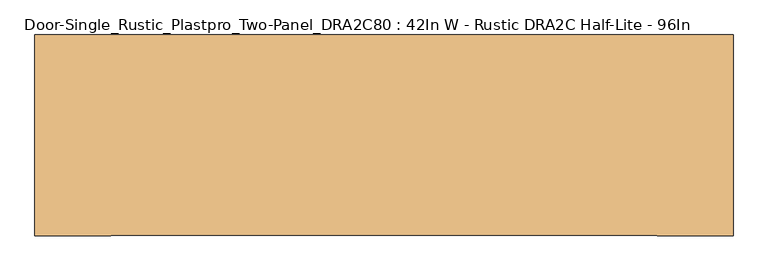
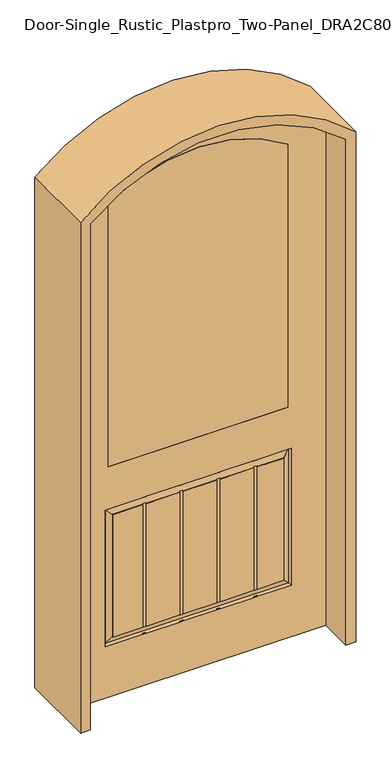
"""IFC4 building model written with IfcOpenShell, lengths in millimetres: door geometry, Door-Single_Rustic_Plastpro_Two-Panel_DRA2C80 : 42In W - Rustic DRA2C Half-Lite - 96In."""

from ifc_helpers import new_model, si_unit, point, frame, frame_2d, origin, place, context, project, spatial, polyline, circle_curve, trimmed, segment, composite_curve, outline, extrude, source, transform, mapped, element, save
from ifc_brep_helpers import plane_surface, cylinder_surface, revolved_surface, advanced_brep


def door_single_rustic_plastpro_two_panel_dra2c80_42in_w_rustic_5c745e77(model_context):
    return source(origin(), model_context, "Body", "SolidModel", [
        advanced_brep(
        [(533.4, 20.6375, 0.0), (-533.4, 20.6375, 0.0), (-533.4, 20.6375, 2234.5756301), (533.4, 20.6375, 2234.5756301), (-374.65, 20.6375, 2180.1077769), (-374.65, 20.6375, 1018.6937132), (374.65, 20.6375, 1018.6937132), (374.65, 20.6375, 2180.1077769), (231.920955, 20.6375, 228.6), (247.2006425, 20.6375, 228.6), (388.9375, 20.6375, 228.6), (388.9375, 20.6375, 831.85), (247.2006425, 20.6375, 831.85), (231.920955, 20.6375, 831.85), (92.5866725, 20.6375, 831.85), (77.306985, 20.6375, 831.85), (-62.0272975, 20.6375, 831.85), (-77.306985, 20.6375, 831.85), (-216.6412675, 20.6375, 831.85), (-231.920955, 20.6375, 831.85), (-388.9375, 20.6375, 831.85), (-388.9375, 20.6375, 228.6), (-231.920955, 20.6375, 228.6), (-216.6412675, 20.6375, 228.6), (-77.306985, 20.6375, 228.6), (-62.0272975, 20.6375, 228.6), (77.306985, 20.6375, 228.6), (92.5866725, 20.6375, 228.6), (231.920955, 20.6375, 800.64283), (231.920955, 20.6375, 259.80717), (92.5866725, 20.6375, 259.80717), (92.5866725, 20.6375, 800.64283), (247.2006425, 20.6375, 259.80717), (247.2006425, 20.6375, 800.64283), (357.73033, 20.6375, 800.64283), (357.73033, 20.6375, 259.80717), (-77.306985, 20.6375, 800.64283), (-77.306985, 20.6375, 259.80717), (-216.6412675, 20.6375, 259.80717), (-216.6412675, 20.6375, 800.64283), (-62.0272975, 20.6375, 259.80717), (-62.0272975, 20.6375, 800.64283), (77.306985, 20.6375, 800.64283), (77.306985, 20.6375, 259.80717), (-231.920955, 20.6375, 800.64283), (-231.920955, 20.6375, 259.80717), (-357.73033, 20.6375, 259.80717), (-357.73033, 20.6375, 800.64283), (533.4, -20.6375, 0.0), (-533.4, -20.6375, 0.0), (-533.4, -20.6375, 2234.5756301), (533.4, -20.6375, 2234.5756301), (388.9375, -20.6375, 228.6), (382.1703916, -11.6572439, 235.3671084), (-382.1703916, -11.6572439, 235.3671084), (-388.9375, -20.6375, 228.6), (-231.920955, -20.6375, 228.6), (-231.920955, -17.4625, 230.9925341), (-216.6412675, -17.4625, 230.9925341), (-216.6412675, -20.6375, 228.6), (-77.306985, -20.6375, 228.6), (-77.306985, -17.4625, 230.9925341), (-62.0272975, -17.4625, 230.9925341), (-62.0272975, -20.6375, 228.6), (77.306985, -20.6375, 228.6), (77.306985, -17.4625, 230.9925341), (92.5866725, -17.4625, 230.9925341), (92.5866725, -20.6375, 228.6), (231.920955, -20.6375, 228.6), (231.920955, -17.4625, 230.9925341), (247.2006425, -17.4625, 230.9925341), (247.2006425, -20.6375, 228.6), (92.5866725, -17.4625, 228.6), (77.306985, -17.4625, 228.6), (92.5866725, -20.6375, 831.85), (77.306985, -20.6375, 831.85), (77.306985, -17.4625, 831.85), (92.5866725, -17.4625, 831.85), (357.73033, -18.409586, 259.80717), (247.2006425, -18.409586, 259.80717), (247.2006425, -17.4625, 256.3791978), (231.920955, -17.4625, 256.3791978), (231.920955, -18.409586, 259.80717), (92.5866725, -18.409586, 259.80717), (92.5866725, -17.4625, 256.3791978), (77.306985, -17.4625, 256.3791978), (77.306985, -18.409586, 259.80717), (-62.0272975, -18.409586, 259.80717), (-62.0272975, -17.4625, 256.3791978), (-77.306985, -17.4625, 256.3791978), (-77.306985, -18.409586, 259.80717), (-216.6412675, -18.409586, 259.80717), (-216.6412675, -17.4625, 256.3791978), (-231.920955, -17.4625, 256.3791978), (-231.920955, -18.409586, 259.80717), (-357.73033, -18.409586, 259.80717), (382.1703916, -11.6572439, 825.0828916), (357.73033, -18.409586, 800.64283), (-382.1703916, -11.6572439, 825.0828916), (-357.73033, -18.409586, 800.64283), (-231.920955, -18.409586, 800.64283), (-231.920955, -17.4625, 804.0708022), (-216.6412675, -17.4625, 804.0708022), (-216.6412675, -18.409586, 800.64283), (-77.306985, -18.409586, 800.64283), (-77.306985, -17.4625, 804.0708022), (-62.0272975, -17.4625, 804.0708022), (-62.0272975, -18.409586, 800.64283), (77.306985, -18.409586, 800.64283), (77.306985, -17.4625, 804.0708022), (92.5866725, -17.4625, 804.0708022), (92.5866725, -18.409586, 800.64283), (231.920955, -18.409586, 800.64283), (231.920955, -17.4625, 804.0708022), (247.2006425, -17.4625, 804.0708022), (247.2006425, -18.409586, 800.64283), (92.5866725, -20.6375, 259.80717), (92.5866725, -20.6375, 800.64283), (92.5866725, -17.4625, 829.4574659), (77.306985, -20.6375, 800.64283), (77.306985, -20.6375, 259.80717), (77.306985, -17.4625, 829.4574659), (-216.6412675, 17.4625, 831.85), (-231.920955, 17.4625, 831.85), (-357.73033, 18.409586, 800.64283), (-231.920955, 18.409586, 800.64283), (-62.0272975, 18.409586, 800.64283), (77.306985, 18.409586, 800.64283), (92.5866725, 18.409586, 800.64283), (231.920955, 18.409586, 800.64283), (-216.6412675, 18.409586, 800.64283), (-77.306985, 18.409586, 800.64283), (357.73033, 18.409586, 800.64283), (247.2006425, 18.409586, 800.64283), (-357.73033, 18.409586, 259.80717), (-216.6412675, -20.6375, 259.80717), (-216.6412675, -20.6375, 800.64283), (-216.6412675, -20.6375, 831.85), (-216.6412675, -17.4625, 831.85), (-216.6412675, -17.4625, 829.4574659), (-216.6412675, -17.4625, 228.6), (-231.920955, -20.6375, 800.64283), (-231.920955, -20.6375, 259.80717), (-231.920955, -17.4625, 228.6), (-231.920955, -17.4625, 831.85), (-231.920955, -20.6375, 831.85), (-231.920955, -17.4625, 829.4574659), (382.1703916, 11.6572439, 825.0828916), (247.2006425, 17.4625, 804.0708022), (231.920955, 17.4625, 804.0708022), (92.5866725, 17.4625, 804.0708022), (77.306985, 17.4625, 804.0708022), (-62.0272975, 17.4625, 804.0708022), (-77.306985, 17.4625, 804.0708022), (-216.6412675, 17.4625, 804.0708022), (-231.920955, 17.4625, 804.0708022), (-382.1703916, 11.6572439, 825.0828916), (357.73033, 18.409586, 259.80717), (382.1703916, 11.6572439, 235.3671084), (-382.1703916, 11.6572439, 235.3671084), (-231.920955, 18.409586, 259.80717), (-231.920955, 17.4625, 256.3791978), (-216.6412675, 17.4625, 256.3791978), (-216.6412675, 18.409586, 259.80717), (-77.306985, 18.409586, 259.80717), (-77.306985, 17.4625, 256.3791978), (-62.0272975, 17.4625, 256.3791978), (-62.0272975, 18.409586, 259.80717), (77.306985, 18.409586, 259.80717), (77.306985, 17.4625, 256.3791978), (92.5866725, 17.4625, 256.3791978), (92.5866725, 18.409586, 259.80717), (231.920955, 18.409586, 259.80717), (231.920955, 17.4625, 256.3791978), (247.2006425, 17.4625, 256.3791978), (247.2006425, 18.409586, 259.80717), (231.920955, 17.4625, 228.6), (247.2006425, 17.4625, 228.6), (247.2006425, 17.4625, 831.85), (231.920955, 17.4625, 831.85), (92.5866725, 17.4625, 831.85), (77.306985, 17.4625, 831.85), (-62.0272975, 17.4625, 831.85), (-77.306985, 17.4625, 831.85), (-77.306985, 17.4625, 228.6), (-62.0272975, 17.4625, 228.6), (77.306985, 17.4625, 228.6), (92.5866725, 17.4625, 228.6), (231.920955, 17.4625, 230.9925341), (231.920955, 17.4625, 829.4574659), (92.5866725, 17.4625, 230.9925341), (92.5866725, 17.4625, 829.4574659), (247.2006425, 17.4625, 230.9925341), (247.2006425, 17.4625, 829.4574659), (-77.306985, 17.4625, 829.4574659), (-77.306985, 17.4625, 230.9925341), (-62.0272975, 17.4625, 230.9925341), (-62.0272975, 17.4625, 829.4574659), (77.306985, 17.4625, 829.4574659), (77.306985, 17.4625, 230.9925341), (-374.65, -20.6375, 2180.1077769), (-374.65, -20.6375, 1018.6937132), (374.65, -20.6375, 1018.6937132), (374.65, -20.6375, 2180.1077769), (247.2006425, -20.6375, 800.64283), (247.2006425, -20.6375, 259.80717), (357.73033, -20.6375, 259.80717), (357.73033, -20.6375, 800.64283), (-62.0272975, -20.6375, 800.64283), (-62.0272975, -20.6375, 259.80717), (-77.306985, -20.6375, 259.80717), (-77.306985, -20.6375, 800.64283), (-357.73033, -20.6375, 800.64283), (-357.73033, -20.6375, 259.80717), (-388.9375, -20.6375, 831.85), (-77.306985, -20.6375, 831.85), (-62.0272975, -20.6375, 831.85), (231.920955, -20.6375, 831.85), (247.2006425, -20.6375, 831.85), (388.9375, -20.6375, 831.85), (231.920955, -20.6375, 259.80717), (231.920955, -20.6375, 800.64283), (247.2006425, -17.4625, 228.6), (231.920955, -17.4625, 228.6), (-62.0272975, -17.4625, 228.6), (-77.306985, -17.4625, 228.6), (247.2006425, -17.4625, 829.4574659), (231.920955, -17.4625, 829.4574659), (-62.0272975, -17.4625, 829.4574659), (-77.306985, -17.4625, 829.4574659), (-77.306985, -17.4625, 831.85), (-62.0272975, -17.4625, 831.85), (231.920955, -17.4625, 831.85), (247.2006425, -17.4625, 831.85), (-216.6412675, 17.4625, 230.9925341), (-231.920955, 17.4625, 230.9925341), (-231.920955, 17.4625, 829.4574659), (-216.6412675, 17.4625, 829.4574659), (-231.920955, 17.4625, 228.6), (-216.6412675, 17.4625, 228.6)],
        [
            (0, 1),
            (1, 2),
            (2, 3, circle_curve(frame((0.0, 20.6375, 1638.5448748), z_axis=(0.0, 1.0, 0.0), x_axis=(1.0, 0.0, 0.0)), 799.8551252)),
            (3, 0),
            (4, 5),
            (5, 6),
            (6, 7),
            (7, 4, circle_curve(frame((0.0, 20.6375, 1649.9353502), z_axis=(0.0, -1.0, 0.0), x_axis=(-1.0, 0.0, 0.0)), 649.1882813)),
            (8, 9),
            (9, 10),
            (10, 11),
            (11, 12),
            (12, 13),
            (13, 14),
            (14, 15),
            (15, 16),
            (16, 17),
            (17, 18),
            (18, 19),
            (19, 20),
            (20, 21),
            (21, 22),
            (22, 23),
            (23, 24),
            (24, 25),
            (25, 26),
            (26, 27),
            (27, 8),
            (28, 29),
            (29, 30),
            (30, 31),
            (31, 28),
            (32, 33),
            (33, 34),
            (34, 35),
            (35, 32),
            (36, 37),
            (37, 38),
            (38, 39),
            (39, 36),
            (40, 41),
            (41, 42),
            (42, 43),
            (43, 40),
            (44, 45),
            (45, 46),
            (46, 47),
            (47, 44),
            (0, 48),
            (48, 49),
            (49, 1),
            (49, 50),
            (50, 2),
            (3, 51),
            (51, 48),
            (52, 53),
            (53, 54),
            (54, 55),
            (55, 56),
            (56, 57),
            (57, 58),
            (58, 59),
            (59, 60),
            (60, 61),
            (61, 62),
            (62, 63),
            (63, 64),
            (64, 65),
            (65, 66),
            (66, 67),
            (67, 68),
            (68, 69),
            (69, 70),
            (70, 71),
            (71, 52),
            (64, 67),
            (67, 72),
            (72, 73),
            (73, 64),
            (74, 75),
            (75, 76),
            (76, 77),
            (77, 74),
            (53, 78),
            (78, 79),
            (79, 80),
            (80, 81),
            (81, 82),
            (82, 83),
            (83, 84),
            (84, 85),
            (85, 86),
            (86, 87),
            (87, 88),
            (88, 89),
            (89, 90),
            (90, 91),
            (91, 92),
            (92, 93),
            (93, 94),
            (94, 95),
            (95, 54),
            (53, 96),
            (96, 97),
            (97, 78),
            (96, 98),
            (98, 99),
            (99, 100),
            (100, 101),
            (101, 102),
            (102, 103),
            (103, 104),
            (104, 105),
            (105, 106),
            (106, 107),
            (107, 108),
            (108, 109),
            (109, 110),
            (110, 111),
            (111, 112),
            (112, 113),
            (113, 114),
            (114, 115),
            (115, 97),
            (116, 117),
            (117, 111),
            (110, 84),
            (83, 116),
            (77, 118),
            (118, 74),
            (66, 72),
            (119, 120),
            (120, 86),
            (85, 109),
            (108, 119),
            (73, 65),
            (75, 121),
            (121, 76),
            (95, 99),
            (98, 54),
            (50, 51, circle_curve(frame((0.0, -20.6375, 1638.5448748), z_axis=(0.0, 1.0, 0.0), x_axis=(1.0, 0.0, 0.0)), 799.8551252)),
            (18, 122),
            (122, 123),
            (123, 19),
            (47, 124),
            (124, 125),
            (125, 44),
            (126, 127),
            (127, 42),
            (41, 126),
            (128, 129),
            (129, 28),
            (31, 128),
            (130, 131),
            (131, 36),
            (39, 130),
            (132, 34),
            (33, 133),
            (133, 132),
            (46, 134),
            (134, 124),
            (135, 136),
            (136, 103),
            (102, 92),
            (91, 135),
            (137, 138),
            (138, 139),
            (139, 137),
            (140, 59),
            (58, 140),
            (141, 142),
            (142, 94),
            (93, 101),
            (100, 141),
            (56, 143),
            (143, 57),
            (144, 145),
            (145, 146),
            (146, 144),
            (143, 140),
            (138, 144),
            (146, 139),
            (147, 132),
            (133, 148),
            (148, 149),
            (149, 129),
            (128, 150),
            (150, 151),
            (151, 127),
            (126, 152),
            (152, 153),
            (153, 131),
            (130, 154),
            (154, 155),
            (155, 125),
            (124, 156),
            (156, 147),
            (157, 158),
            (158, 159),
            (159, 134),
            (134, 160),
            (160, 161),
            (161, 162),
            (162, 163),
            (163, 164),
            (164, 165),
            (165, 166),
            (166, 167),
            (167, 168),
            (168, 169),
            (169, 170),
            (170, 171),
            (171, 172),
            (172, 173),
            (173, 174),
            (174, 175),
            (175, 157),
            (157, 132),
            (147, 158),
            (8, 176),
            (176, 177),
            (177, 9),
            (12, 178),
            (178, 179),
            (179, 13),
            (14, 180),
            (180, 181),
            (181, 15),
            (16, 182),
            (182, 183),
            (183, 17),
            (24, 184),
            (184, 185),
            (185, 25),
            (26, 186),
            (186, 187),
            (187, 27),
            (8, 188),
            (188, 176),
            (149, 173),
            (172, 29),
            (179, 189),
            (189, 13),
            (187, 190),
            (190, 27),
            (14, 191),
            (191, 180),
            (30, 171),
            (170, 150),
            (177, 192),
            (192, 9),
            (12, 193),
            (193, 178),
            (32, 175),
            (174, 148),
            (183, 194),
            (194, 17),
            (24, 195),
            (195, 184),
            (153, 165),
            (164, 37),
            (185, 196),
            (196, 25),
            (16, 197),
            (197, 182),
            (40, 167),
            (166, 152),
            (181, 198),
            (198, 15),
            (26, 199),
            (199, 186),
            (151, 169),
            (168, 43),
            (4, 200),
            (200, 201),
            (201, 5),
            (201, 202),
            (202, 6),
            (203, 7),
            (202, 203),
            (204, 205),
            (205, 206),
            (206, 207),
            (207, 204),
            (208, 209),
            (209, 120),
            (119, 208),
            (210, 211),
            (211, 136),
            (135, 210),
            (141, 212),
            (212, 213),
            (213, 142),
            (200, 203, circle_curve(frame((0.0, -20.6375, 1649.9353502), z_axis=(0.0, 1.0, 0.0), x_axis=(-1.0, 0.0, 0.0)), 649.1882813)),
            (71, 68),
            (63, 60),
            (59, 56),
            (55, 214),
            (214, 145),
            (145, 137),
            (137, 215),
            (215, 216),
            (216, 75),
            (74, 217),
            (217, 218),
            (218, 219),
            (219, 52),
            (220, 221),
            (221, 117),
            (116, 220),
            (71, 222),
            (222, 223),
            (223, 68),
            (63, 224),
            (224, 225),
            (225, 60),
            (98, 214),
            (96, 219),
            (218, 226),
            (226, 227),
            (227, 217),
            (118, 121),
            (216, 228),
            (228, 229),
            (229, 215),
            (215, 230),
            (230, 231),
            (231, 216),
            (217, 232),
            (232, 233),
            (233, 218),
            (204, 115),
            (114, 80),
            (79, 205),
            (233, 226),
            (70, 222),
            (223, 69),
            (220, 82),
            (81, 113),
            (112, 221),
            (227, 232),
            (208, 107),
            (106, 88),
            (87, 209),
            (231, 228),
            (62, 224),
            (210, 90),
            (89, 105),
            (104, 211),
            (225, 61),
            (229, 230),
            (197, 194),
            (195, 196),
            (191, 198),
            (199, 190),
            (188, 192),
            (193, 189),
            (158, 10),
            (23, 234),
            (234, 235),
            (235, 22),
            (21, 159),
            (147, 11),
            (156, 20),
            (19, 236),
            (236, 237),
            (237, 18),
            (156, 159),
            (22, 238),
            (238, 239),
            (239, 23),
            (35, 157),
            (163, 38),
            (45, 160),
            (162, 154),
            (239, 234),
            (237, 122),
            (123, 236),
            (235, 238),
            (155, 161),
            (78, 206),
            (213, 95),
            (97, 207),
            (99, 212),
        ],
        [
            plane_surface(frame((0.0, 20.6375, 0.0), z_axis=(0.0, 1.0, 0.0), x_axis=(0.0, 0.0, 1.0))),
            plane_surface(frame((533.4, 20.6375, 0.0), z_axis=(0.0, 0.0, -1.0), x_axis=(0.0, -1.0, 0.0))),
            plane_surface(frame((-533.4, 20.6375, 0.0), z_axis=(-1.0, 0.0, 0.0), x_axis=(0.0, -1.0, 0.0))),
            plane_surface(frame((533.4, 20.6375, 2234.5756301), z_axis=(1.0, 0.0, 0.0), x_axis=(0.0, -1.0, 0.0))),
            plane_surface(frame((-382.1703916, -11.6572439, 235.3671084), z_axis=(0.0, -0.6018150231520504, 0.7986355100472914), x_axis=(1.0, 0.0, 0.0))),
            plane_surface(frame((77.306985, -20.6375, 228.6), z_axis=(0.0, 0.0, 1.0), x_axis=(0.0, 1.0, 0.0))),
            plane_surface(frame((92.5866725, -20.6375, 831.85), z_axis=(0.0, 0.0, -1.0), x_axis=(0.0, 1.0, 0.0))),
            plane_surface(frame((-357.73033, -18.409586, 259.80717), z_axis=(0.0, -0.9638888516060532, -0.26630486617702653), x_axis=(1.0, 0.0, 0.0))),
            plane_surface(frame((357.73033, -18.409586, 259.80717), z_axis=(0.26630486617702653, -0.9638888516060532, 0.0), x_axis=(0.0, 0.0, 1.0))),
            plane_surface(frame((357.73033, -18.409586, 800.64283), z_axis=(0.0, -0.9638888516060532, 0.26630486617702653), x_axis=(-1.0, 0.0, 0.0))),
            plane_surface(frame((92.5866725, -20.6375, 228.6), z_axis=(-1.0, 0.0, 0.0), x_axis=(0.0, 1.0, 0.0))),
            plane_surface(frame((77.306985, -20.6375, 831.85), z_axis=(1.0, 0.0, 0.0), x_axis=(0.0, 1.0, 0.0))),
            plane_surface(frame((-357.73033, -18.409586, 800.64283), z_axis=(-0.26630486617702653, -0.9638888516060532, 0.0), x_axis=(0.0, 0.0, -1.0))),
            cylinder_surface(frame((0.0, 20.6375, 1638.5448748), z_axis=(0.0, 1.0, 0.0), x_axis=(1.0, 0.0, 0.0)), 799.8551252),
            plane_surface(frame((-231.920955, 20.6375, 831.85), z_axis=(0.0, 0.0, -1.0), x_axis=(0.0, -1.0, 0.0))),
            plane_surface(frame((357.73033, 18.409586, 800.64283), z_axis=(0.0, 0.0, 1.0), x_axis=(-1.0, 0.0, 0.0))),
            plane_surface(frame((-357.73033, 18.409586, 800.64283), z_axis=(-1.0, 0.0, 0.0), x_axis=(0.0, 0.0, -1.0))),
            plane_surface(frame((-216.6412675, -20.6375, 228.6), z_axis=(-1.0, 0.0, 0.0), x_axis=(0.0, 1.0, 0.0))),
            plane_surface(frame((-231.920955, -20.6375, 831.85), z_axis=(1.0, 0.0, 0.0), x_axis=(0.0, 1.0, 0.0))),
            plane_surface(frame((-216.6412675, -17.4625, 831.85), z_axis=(0.0, -1.0, 0.0), x_axis=(0.0, 0.0, -1.0))),
            plane_surface(frame((382.1703916, 11.6572439, 825.0828916), z_axis=(0.0, 0.9638888516060532, 0.26630486617702653), x_axis=(-1.0, 0.0, 0.0))),
            plane_surface(frame((-382.1703916, 11.6572439, 235.3671084), z_axis=(0.0, 0.9638888516060532, -0.26630486617702653), x_axis=(1.0, 0.0, 0.0))),
            plane_surface(frame((382.1703916, 11.6572439, 235.3671084), z_axis=(0.26630486617702653, 0.9638888516060532, 0.0), x_axis=(0.0, 0.0, 1.0))),
            plane_surface(frame((247.2006425, 20.6375, 228.6), z_axis=(0.0, 0.0, 1.0), x_axis=(0.0, -1.0, 0.0))),
            plane_surface(frame((231.920955, 20.6375, 831.85), z_axis=(0.0, 0.0, -1.0), x_axis=(0.0, -1.0, 0.0))),
            plane_surface(frame((77.306985, 20.6375, 831.85), z_axis=(0.0, 0.0, -1.0), x_axis=(0.0, -1.0, 0.0))),
            plane_surface(frame((-77.306985, 20.6375, 831.85), z_axis=(0.0, 0.0, -1.0), x_axis=(0.0, -1.0, 0.0))),
            plane_surface(frame((-62.0272975, 20.6375, 228.6), z_axis=(0.0, 0.0, 1.0), x_axis=(0.0, -1.0, 0.0))),
            plane_surface(frame((92.5866725, 20.6375, 228.6), z_axis=(0.0, 0.0, 1.0), x_axis=(0.0, -1.0, 0.0))),
            plane_surface(frame((231.920955, 20.6375, 228.6), z_axis=(1.0, 0.0, 0.0), x_axis=(0.0, -1.0, 0.0))),
            plane_surface(frame((92.5866725, 20.6375, 831.85), z_axis=(-1.0, 0.0, 0.0), x_axis=(0.0, -1.0, 0.0))),
            plane_surface(frame((247.2006425, 20.6375, 831.85), z_axis=(-1.0, 0.0, 0.0), x_axis=(0.0, -1.0, 0.0))),
            plane_surface(frame((-77.306985, 20.6375, 228.6), z_axis=(1.0, 0.0, 0.0), x_axis=(0.0, -1.0, 0.0))),
            plane_surface(frame((-62.0272975, 20.6375, 831.85), z_axis=(-1.0, 0.0, 0.0), x_axis=(0.0, -1.0, 0.0))),
            plane_surface(frame((77.306985, 20.6375, 228.6), z_axis=(1.0, 0.0, 0.0), x_axis=(0.0, -1.0, 0.0))),
            plane_surface(frame((-374.65, 20.6375, 1018.6937132), z_axis=(1.0, 0.0, 0.0), x_axis=(0.0, -1.0, 0.0))),
            plane_surface(frame((374.65, 20.6375, 1018.6937132), z_axis=(0.0, 0.0, 1.0), x_axis=(0.0, -1.0, 0.0))),
            plane_surface(frame((374.65, 20.6375, 2180.1077769), z_axis=(-1.0, 0.0, 0.0), x_axis=(0.0, -1.0, 0.0))),
            plane_surface(frame((0.0, -20.6375, 0.0), z_axis=(0.0, -1.0, 0.0), x_axis=(0.0, 0.0, 1.0))),
            plane_surface(frame((231.920955, -20.6375, 228.6), z_axis=(0.0, 0.0, 1.0), x_axis=(0.0, 1.0, 0.0))),
            plane_surface(frame((-77.306985, -20.6375, 228.6), z_axis=(0.0, 0.0, 1.0), x_axis=(0.0, 1.0, 0.0))),
            plane_surface(frame((-382.1703916, -11.6572439, 825.0828916), z_axis=(0.7986355100472914, -0.6018150231520504, 0.0), x_axis=(0.0, 0.0, -1.0))),
            plane_surface(frame((382.1703916, -11.6572439, 825.0828916), z_axis=(0.0, -0.6018150231520504, -0.7986355100472914), x_axis=(-1.0, 0.0, 0.0))),
            plane_surface(frame((-62.0272975, -20.6375, 831.85), z_axis=(0.0, 0.0, -1.0), x_axis=(0.0, 1.0, 0.0))),
            plane_surface(frame((247.2006425, -20.6375, 831.85), z_axis=(0.0, 0.0, -1.0), x_axis=(0.0, 1.0, 0.0))),
            plane_surface(frame((382.1703916, -11.6572439, 235.3671084), z_axis=(-0.7986355100472914, -0.6018150231520504, 0.0), x_axis=(0.0, 0.0, 1.0))),
            plane_surface(frame((247.2006425, -20.6375, 228.6), z_axis=(-1.0, 0.0, 0.0), x_axis=(0.0, 1.0, 0.0))),
            plane_surface(frame((231.920955, -20.6375, 831.85), z_axis=(1.0, 0.0, 0.0), x_axis=(0.0, 1.0, 0.0))),
            plane_surface(frame((-62.0272975, -20.6375, 228.6), z_axis=(-1.0, 0.0, 0.0), x_axis=(0.0, 1.0, 0.0))),
            plane_surface(frame((-77.306985, -20.6375, 831.85), z_axis=(1.0, 0.0, 0.0), x_axis=(0.0, 1.0, 0.0))),
            plane_surface(frame((-62.0272975, -17.4625, 831.85), z_axis=(0.0, -1.0, 0.0), x_axis=(0.0, 0.0, -1.0))),
            plane_surface(frame((92.5866725, -17.4625, 831.85), z_axis=(0.0, -1.0, 0.0), x_axis=(0.0, 0.0, -1.0))),
            plane_surface(frame((247.2006425, -17.4625, 831.85), z_axis=(0.0, -1.0, 0.0), x_axis=(0.0, 0.0, -1.0))),
            plane_surface(frame((-77.306985, 17.4625, 831.85), z_axis=(0.0, 1.0, 0.0), x_axis=(0.0, 0.0, -1.0))),
            plane_surface(frame((77.306985, 17.4625, 831.85), z_axis=(0.0, 1.0, 0.0), x_axis=(0.0, 0.0, -1.0))),
            plane_surface(frame((231.920955, 17.4625, 831.85), z_axis=(0.0, 1.0, 0.0), x_axis=(0.0, 0.0, -1.0))),
            revolved_surface(polyline([(-649.1882813, 20.6375, 1649.9353502), (-649.1882813, -20.6375, 1649.9353502)]), (0.0, -20.6375, 1649.9353502), (0.0, 1.0, 0.0)),
            plane_surface(frame((-388.9375, 20.6375, 228.6), z_axis=(0.0, 0.6018150231520504, 0.7986355100472914), x_axis=(1.0, 0.0, 0.0))),
            plane_surface(frame((388.9375, 20.6375, 228.6), z_axis=(-0.7986355100472914, 0.6018150231520504, 0.0), x_axis=(0.0, 0.0, 1.0))),
            plane_surface(frame((388.9375, 20.6375, 831.85), z_axis=(0.0, 0.6018150231520504, -0.7986355100472914), x_axis=(-1.0, 0.0, 0.0))),
            plane_surface(frame((-388.9375, 20.6375, 831.85), z_axis=(0.7986355100472914, 0.6018150231520504, 0.0), x_axis=(0.0, 0.0, -1.0))),
            plane_surface(frame((-216.6412675, 20.6375, 228.6), z_axis=(0.0, 0.0, 1.0), x_axis=(0.0, -1.0, 0.0))),
            plane_surface(frame((-357.73033, 18.409586, 259.80717), z_axis=(0.0, 0.0, -1.0), x_axis=(1.0, 0.0, 0.0))),
            plane_surface(frame((357.73033, 18.409586, 259.80717), z_axis=(1.0, 0.0, 0.0), x_axis=(0.0, 0.0, 1.0))),
            plane_surface(frame((-216.6412675, 20.6375, 831.85), z_axis=(-1.0, 0.0, 0.0), x_axis=(0.0, -1.0, 0.0))),
            plane_surface(frame((-231.920955, 20.6375, 228.6), z_axis=(1.0, 0.0, 0.0), x_axis=(0.0, -1.0, 0.0))),
            plane_surface(frame((-231.920955, -20.6375, 228.6), z_axis=(0.0, 0.0, 1.0), x_axis=(0.0, 1.0, 0.0))),
            plane_surface(frame((-216.6412675, -20.6375, 831.85), z_axis=(0.0, 0.0, -1.0), x_axis=(0.0, 1.0, 0.0))),
            plane_surface(frame((-357.73033, -20.6375, 259.80717), z_axis=(0.0, 0.0, -1.0), x_axis=(1.0, 0.0, 0.0))),
            plane_surface(frame((357.73033, -20.6375, 259.80717), z_axis=(1.0, 0.0, 0.0), x_axis=(0.0, 0.0, 1.0))),
            plane_surface(frame((357.73033, -20.6375, 800.64283), z_axis=(0.0, 0.0, 1.0), x_axis=(-1.0, 0.0, 0.0))),
            plane_surface(frame((-357.73033, -20.6375, 800.64283), z_axis=(-1.0, 0.0, 0.0), x_axis=(0.0, 0.0, -1.0))),
            plane_surface(frame((-382.1703916, 11.6572439, 825.0828916), z_axis=(-0.26630486617702653, 0.9638888516060532, 0.0), x_axis=(0.0, 0.0, -1.0))),
            plane_surface(frame((-231.920955, 17.4625, 831.85), z_axis=(0.0, 1.0, 0.0), x_axis=(0.0, 0.0, -1.0))),
        ],
        [
            (0, [[1, 2, 3, 4], [5, 6, 7, 8], [9, 10, 11, 12, 13, 14, 15, 16, 17, 18, 19, 20, 21, 22, 23, 24, 25, 26, 27, 28]]),
            (0, [[29, 30, 31, 32]]),
            (0, [[33, 34, 35, 36]]),
            (0, [[37, 38, 39, 40]]),
            (0, [[41, 42, 43, 44]]),
            (0, [[45, 46, 47, 48]]),
            (1, [[-1, 49, 50, 51]]),
            (2, [[-2, -51, 52, 53]]),
            (3, [[-4, 54, 55, -49]]),
            (4, [[56, 57, 58, 59, 60, 61, 62, 63, 64, 65, 66, 67, 68, 69, 70, 71, 72, 73, 74, 75]]),
            (5, [[76, 77, 78, 79]]),
            (6, [[80, 81, 82, 83]]),
            (7, [[-57, 84, 85, 86, 87, 88, 89, 90, 91, 92, 93, 94, 95, 96, 97, 98, 99, 100, 101, 102]]),
            (8, [[-84, 103, 104, 105]]),
            (9, [[-104, 106, 107, 108, 109, 110, 111, 112, 113, 114, 115, 116, 117, 118, 119, 120, 121, 122, 123, 124]]),
            (10, [[125, 126, -119, 127, -90, 128]]),
            (10, [[-83, 129, 130]]),
            (10, [[-77, -70, 131]]),
            (11, [[132, 133, -92, 134, -117, 135]]),
            (11, [[-79, 136, -68]]),
            (11, [[-81, 137, 138]]),
            (12, [[-102, 139, -107, 140]]),
            (13, [[-3, -53, 141, -54]]),
            (14, [[-19, 142, 143, 144]]),
            (15, [[145, 146, 147, -48]]),
            (15, [[148, 149, -42, 150]]),
            (15, [[151, 152, -32, 153]]),
            (15, [[154, 155, -40, 156]]),
            (15, [[157, -34, 158, 159]]),
            (16, [[160, 161, -145, -47]]),
            (17, [[162, 163, -111, 164, -98, 165]]),
            (17, [[166, 167, 168]]),
            (17, [[169, -62, 170]]),
            (18, [[171, 172, -100, 173, -109, 174]]),
            (18, [[175, 176, -60]]),
            (18, [[177, 178, 179]]),
            (19, [[180, -170, -61, -176]]),
            (19, [[-164, -110, -173, -99]]),
            (19, [[181, -179, 182, -167]]),
            (20, [[183, -159, 184, 185, 186, -151, 187, 188, 189, -148, 190, 191, 192, -154, 193, 194, 195, -146, 196, 197]]),
            (21, [[198, 199, 200, 201, 202, 203, 204, 205, 206, 207, 208, 209, 210, 211, 212, 213, 214, 215, 216, 217]]),
            (22, [[-198, 218, -183, 219]]),
            (23, [[-9, 220, 221, 222]]),
            (24, [[-13, 223, 224, 225]]),
            (25, [[-15, 226, 227, 228]]),
            (26, [[-17, 229, 230, 231]]),
            (27, [[-25, 232, 233, 234]]),
            (28, [[-27, 235, 236, 237]]),
            (29, [[-220, 238, 239]]),
            (29, [[-29, -152, -186, 240, -214, 241]]),
            (29, [[-225, 242, 243]]),
            (30, [[-237, 244, 245]]),
            (30, [[-226, 246, 247]]),
            (30, [[-31, 248, -212, 249, -187, -153]]),
            (31, [[-222, 250, 251]]),
            (31, [[-223, 252, 253]]),
            (31, [[-33, 254, -216, 255, -184, -158]]),
            (32, [[-231, 256, 257]]),
            (32, [[-232, 258, 259]]),
            (32, [[-37, -155, -192, 260, -206, 261]]),
            (33, [[-234, 262, 263]]),
            (33, [[-229, 264, 265]]),
            (33, [[-41, 266, -208, 267, -190, -150]]),
            (34, [[-228, 268, 269]]),
            (34, [[-235, 270, 271]]),
            (34, [[-43, -149, -189, 272, -210, 273]]),
            (35, [[274, 275, 276, -5]]),
            (36, [[-276, 277, 278, -6]]),
            (37, [[279, -7, -278, 280]]),
            (38, [[281, 282, 283, 284]]),
            (38, [[285, 286, -132, 287]]),
            (38, [[288, 289, -162, 290]]),
            (38, [[-171, 291, 292, 293]]),
            (38, [[-50, -55, -141, -52], [-275, 294, -280, -277], [295, -71, -76, -67, 296, -63, 297, -59, 298, 299, 300, 301, 302, 303, -80, 304, 305, 306, 307, -75]]),
            (38, [[308, 309, -125, 310]]),
            (39, [[-295, 311, 312, 313]]),
            (40, [[-296, 314, 315, 316]]),
            (41, [[-58, -140, 317, -298]]),
            (42, [[318, -306, 319, 320, 321, -304, -130, 322, -137, -303, 323, 324, 325, -301, -168, -182, -178, -299, -317, -106]]),
            (43, [[-302, 326, 327, 328]]),
            (44, [[-305, 329, 330, 331]]),
            (45, [[-56, -307, -318, -103]]),
            (46, [[-281, 332, -123, 333, -86, 334]]),
            (46, [[-331, 335, -319]]),
            (46, [[-311, -74, 336]]),
            (47, [[-313, 337, -72]]),
            (47, [[-308, 338, -88, 339, -121, 340]]),
            (47, [[-329, -321, 341]]),
            (48, [[-285, 342, -115, 343, -94, 344]]),
            (48, [[-328, 345, -323]]),
            (48, [[-314, -66, 346]]),
            (49, [[-288, 347, -96, 348, -113, 349]]),
            (49, [[-316, 350, -64]]),
            (49, [[-326, -325, 351]]),
            (50, [[-327, -351, -324, -345]]),
            (50, [[-343, -114, -348, -95]]),
            (50, [[-315, -346, -65, -350]]),
            (51, [[-78, -131, -69, -136]]),
            (51, [[-82, -138, -322, -129]]),
            (51, [[-127, -118, -134, -91]]),
            (52, [[-312, -336, -73, -337]]),
            (52, [[-330, -341, -320, -335]]),
            (52, [[-333, -122, -339, -87]]),
            (53, [[-230, -265, 352, -256]]),
            (53, [[-233, -259, 353, -262]]),
            (53, [[-260, -191, -267, -207]]),
            (54, [[-227, -247, 354, -268]]),
            (54, [[-236, -271, 355, -244]]),
            (54, [[-272, -188, -249, -211]]),
            (55, [[-221, -239, 356, -250]]),
            (55, [[-240, -185, -255, -215]]),
            (55, [[-224, -253, 357, -242]]),
            (56, [[-274, -8, -279, -294]]),
            (57, [[-199, 358, -10, -251, -356, -238, -28, -245, -355, -270, -26, -263, -353, -258, -24, 359, 360, 361, -22, 362]]),
            (58, [[-358, -219, 363, -11]]),
            (59, [[-363, -197, 364, -20, 365, 366, 367, -18, -257, -352, -264, -16, -269, -354, -246, -14, -243, -357, -252, -12]]),
            (60, [[-362, -21, -364, 368]]),
            (61, [[-23, 369, 370, 371]]),
            (62, [[372, -217, -254, -36]]),
            (62, [[-209, -266, -44, -273]]),
            (62, [[-213, -248, -30, -241]]),
            (62, [[-205, 373, -38, -261]]),
            (62, [[-160, -46, 374, -201]]),
            (63, [[-372, -35, -157, -218]]),
            (64, [[-39, -373, -204, 375, -193, -156]]),
            (64, [[-371, 376, -359]]),
            (64, [[-142, -367, 377]]),
            (65, [[-144, 378, -365]]),
            (65, [[-369, -361, 379]]),
            (65, [[-45, -147, -195, 380, -202, -374]]),
            (66, [[-297, -169, -180, -175]]),
            (67, [[-300, -177, -181, -166]]),
            (68, [[-89, -338, -310, -128]]),
            (68, [[-97, -347, -290, -165]]),
            (68, [[381, -282, -334, -85]]),
            (68, [[-93, -133, -286, -344]]),
            (68, [[382, -101, -172, -293]]),
            (69, [[-105, 383, -283, -381]]),
            (70, [[-383, -124, -332, -284]]),
            (70, [[384, -291, -174, -108]]),
            (70, [[-112, -163, -289, -349]]),
            (70, [[-116, -342, -287, -135]]),
            (70, [[-120, -126, -309, -340]]),
            (71, [[-139, -382, -292, -384]]),
            (72, [[-200, -368, -196, -161]]),
            (73, [[-143, -377, -366, -378]]),
            (73, [[-380, -194, -375, -203]]),
            (73, [[-370, -379, -360, -376]]),
        ],
    ),
        extrude(outline(composite_curve([segment(polyline([(2180.1077769, -374.65), (1018.6937132, -374.65), (1018.6937132, 374.65), (2180.1077769, 374.65)]), True, "CONTINUOUS"), segment(trimmed(circle_curve(frame_2d((1649.9353502, 0.0)), 649.1882813), [point((2180.1077769, 374.65))], [point((2180.1077769, -374.65))], False, "CARTESIAN"), True, "CONTINUOUS")], self_intersect=False)), frame((0.0, -20.6375, 0.0), z_axis=(0.0, 1.0, 0.0), x_axis=(0.0, 0.0, 1.0)), (0.0, 0.0, 1.0), 41.275),
        extrude(outline(composite_curve([segment(polyline([(0.0, 533.4), (0.0, 574.675), (2253.6089327, 574.675)]), True, "CONTINUOUS"), segment(trimmed(circle_curve(frame_2d((1638.5464905, 0.0)), 841.756), [point((2253.6089327, 574.675))], [point((2253.6089327, -574.675))], False, "CARTESIAN"), True, "CONTINUOUS"), segment(polyline([(2253.6089327, -574.675), (0.0, -574.675), (0.0, -533.4), (2234.565, -533.4)]), True, "CONTINUOUS"), segment(trimmed(circle_curve(frame_2d((1638.5464905, 0.0)), 799.846), [point((2234.565, -533.4))], [point((2234.565, 533.4))], True, "CARTESIAN"), True, "CONTINUOUS"), segment(polyline([(2234.565, 533.4), (0.0, 533.4)]), True, "CONTINUOUS")], self_intersect=False)), frame((0.0, -165.1, 0.0), z_axis=(0.0, 1.0, 0.0), x_axis=(0.0, 0.0, 1.0)), (0.0, 0.0, 1.0), 330.2),
    ])


if __name__ == "__main__":
    model = new_model("IFC4")
    model_context = context("Model", 3, world=origin())
    ifc_project = project(units=[si_unit("LENGTHUNIT", "METRE", prefix="MILLI")], contexts=[model_context])
    site = spatial("IfcSite", under=ifc_project)
    building = spatial("IfcBuilding", under=site)
    placement = place(None, origin())
    door_single_rustic_plastpro_two_panel_dra2c80_42in_w_rustic_shape = door_single_rustic_plastpro_two_panel_dra2c80_42in_w_rustic_5c745e77(model_context)
    element("IfcDoor", 1, ObjectType="Door-Single_Rustic_Plastpro_Two-Panel_DRA2C80 : 42In W - Rustic DRA2C Half-Lite - 96In", at=placement, inside=building, context=model_context, shape_type="MappedRepresentation", body=[
        mapped(door_single_rustic_plastpro_two_panel_dra2c80_42in_w_rustic_shape, transform((0.0, 0.0, 0.0), x_axis=(1.0, 0.0, 0.0), y_axis=(0.0, 1.0, 0.0), z_axis=(0.0, 0.0, 1.0))),
    ])
    save(model, "model.ifc")
